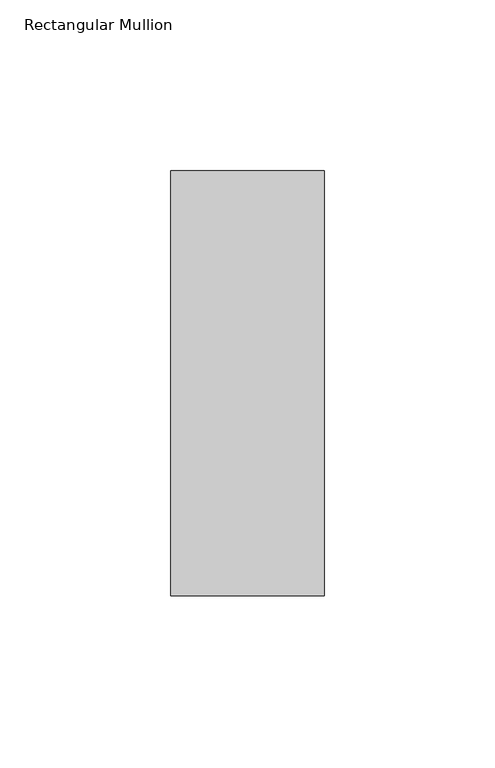
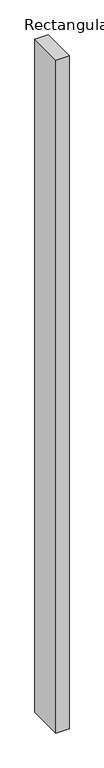
"""IFC4 building model written with IfcOpenShell, lengths in millimetres: member geometry, Rectangular Mullion."""

from ifc_helpers import new_model, si_unit, frame, origin, place, context, project, spatial, polyline, outline, extrude, source, transform, mapped, element, save


def rectangular_mullion_e9f4b831(model_context):
    return source(origin(), model_context, "Body", "SweptSolid", [
        extrude(outline(polyline([(0.0, -77.84375), (-45.0, -77.84375), (-45.0, 46.84375), (0.0, 46.84375), (0.0, -77.84375)])), frame((0.0, 0.0, -2438.4), z_axis=(0.0, 0.0, 1.0), x_axis=(1.0, 0.0, 0.0)), (0.0, 0.0, 1.0), 2438.4),
    ])


if __name__ == "__main__":
    model = new_model("IFC4")
    model_context = context("Model", 3, world=origin())
    ifc_project = project(units=[si_unit("LENGTHUNIT", "METRE", prefix="MILLI")], contexts=[model_context])
    site = spatial("IfcSite", under=ifc_project)
    building = spatial("IfcBuilding", under=site)
    placement = place(None, origin())
    rectangular_mullion_shape = rectangular_mullion_e9f4b831(model_context)
    element("IfcMember", 1, ObjectType="Rectangular Mullion", at=placement, inside=building, context=model_context, shape_type="MappedRepresentation", body=[
        mapped(rectangular_mullion_shape, transform((0.0, 0.0, 0.0), x_axis=(1.0, 0.0, 0.0), y_axis=(0.0, 1.0, 0.0), z_axis=(0.0, 0.0, 1.0))),
    ])
    save(model, "model.ifc")
